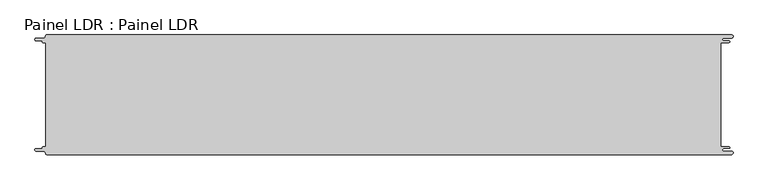
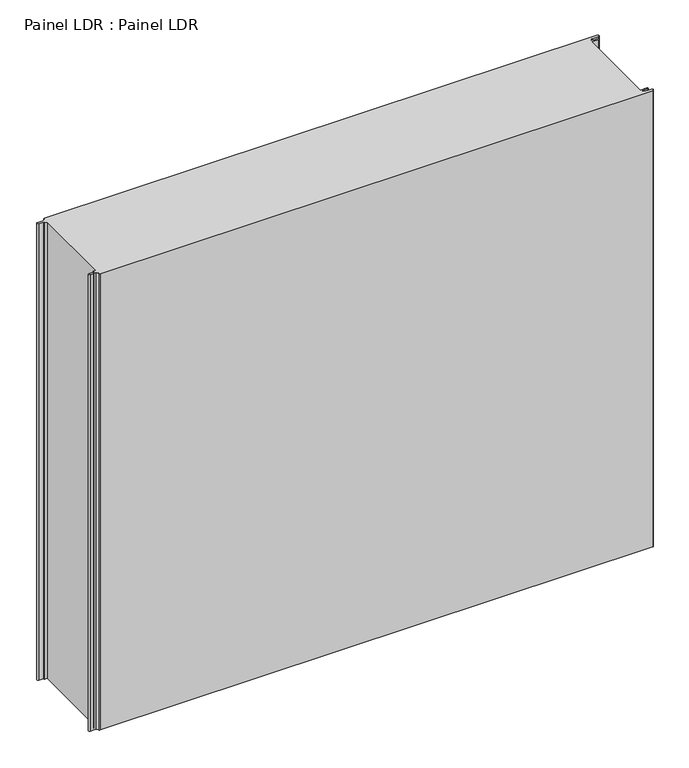
"""IFC4 building model written with IfcOpenShell, lengths in millimetres: proxy geometry, Painel LDR : Painel LDR."""

from ifc_helpers import new_model, si_unit, frame, origin, place, context, project, spatial, polyline, circle_curve, source, transform, mapped, element, save
from ifc_brep_helpers import plane_surface, cylinder_surface, revolved_surface, advanced_brep


def painel_ldr_painel_ldr_572c33a5(model_context):
    return source(origin(), model_context, "Body", "AdvancedBrep", [
        advanced_brep(
        [(-579.5093748, 87.3, 1000.0), (-574.2218362, 87.3, 1000.0), (-574.2218362, -87.2999995, 1000.0), (-579.5093748, -87.2999995, 1000.0), (-580.1093753, -87.9, 1000.0), (-580.1093753, -88.7085185, 1000.0), (-581.5093753, -90.1085185, 1000.0), (-590.4875, -90.1085185, 1000.0), (-590.4875, -94.5085185, 1000.0), (-578.471875, -94.5085185, 1000.0), (-574.921875, -98.0585185, 1000.0), (-572.971875, -100.0, 1000.0), (572.284375, -100.0, 1000.0), (572.284375, -94.725, 1000.0), (559.378125, -94.725, 1000.0), (559.378125, -89.875, 1000.0), (568.0406253, -89.875, 1000.0), (568.0406253, -87.3, 1000.0), (554.1906253, -87.3, 1000.0), (554.1906253, 87.3, 1000.0), (568.0406253, 87.3, 1000.0), (568.0406253, 89.875, 1000.0), (559.378125, 89.875, 1000.0), (559.378125, 94.725, 1000.0), (572.284375, 94.725, 1000.0), (572.284375, 100.0, 1000.0), (-572.971875, 100.0, 1000.0), (-574.921875, 98.05, 1000.0), (-578.471875, 94.5085185, 1000.0), (-590.4875, 94.5085185, 1000.0), (-590.4875, 90.1085187, 1000.0), (-581.5093751, 90.1085187, 1000.0), (-580.1093748, 88.7085184, 1000.0), (-580.1093748, 87.9, 1000.0), (-579.5093748, 87.3, 0.0), (-580.1093748, 87.9, 0.0), (-580.1093748, 88.7085184, 0.0), (-581.5093751, 90.1085187, 0.0), (-590.4875, 90.1085187, 0.0), (-590.4875, 94.5085185, 0.0), (-578.471875, 94.5085185, 0.0), (-574.921875, 98.0585185, 0.0), (-572.971875, 100.0, 0.0), (572.284375, 100.0, 0.0), (572.284375, 94.725, 0.0), (559.378125, 94.725, 0.0), (559.378125, 89.875, 0.0), (568.0406253, 89.875, 0.0), (568.0406253, 87.3, 0.0), (554.1906253, 87.3, 0.0), (554.1906253, -87.3, 0.0), (568.0406253, -87.3, 0.0), (568.0406253, -89.875, 0.0), (559.378125, -89.875, 0.0), (559.378125, -94.725, 0.0), (572.284375, -94.725, 0.0), (572.284375, -100.0, 0.0), (-572.971875, -100.0, 0.0), (-574.921875, -98.05, 0.0), (-578.471875, -94.5085185, 0.0), (-590.4875, -94.5085185, 0.0), (-590.4875, -90.1085185, 0.0), (-581.5093753, -90.1085185, 0.0), (-580.1093753, -88.7085185, 0.0), (-580.1093753, -87.9, 0.0), (-579.5093748, -87.2999995, 0.0), (-574.2218362, -87.2999995, 0.0), (-574.2218362, 87.3, 0.0)],
        [
            (0, 1),
            (1, 2),
            (2, 3),
            (3, 4, circle_curve(frame((-579.5093748, -87.9, 1000.0), z_axis=(0.0, 0.0, 1.0), x_axis=(1.0, 0.0, 0.0)), 0.6000005)),
            (4, 5),
            (5, 6, circle_curve(frame((-581.5093753, -88.7085185, 1000.0), z_axis=(0.0, 0.0, -1.0), x_axis=(1.0, 0.0, 0.0)), 1.4)),
            (6, 7),
            (7, 8, circle_curve(frame((-590.4875, -92.3085185, 1000.0), z_axis=(0.0, 0.0, 1.0), x_axis=(1.0, 0.0, 0.0)), 2.2)),
            (8, 9),
            (9, 10, circle_curve(frame((-578.471875, -98.0585185, 1000.0), z_axis=(0.0, 0.0, -1.0), x_axis=(1.0, 0.0, 0.0)), 3.55)),
            (10, 11, circle_curve(frame((-572.971875, -98.05, 1000.0), z_axis=(0.0, 0.0, 1.0), x_axis=(1.0, 0.0, 0.0)), 1.95)),
            (11, 12),
            (12, 13, circle_curve(frame((572.284375, -97.3625, 1000.0), z_axis=(0.0, 0.0, 1.0), x_axis=(1.0, 0.0, 0.0)), 2.6375)),
            (13, 14),
            (14, 15, circle_curve(frame((559.378125, -92.3, 1000.0), z_axis=(0.0, 0.0, -1.0), x_axis=(1.0, 0.0, 0.0)), 2.425)),
            (15, 16),
            (16, 17, circle_curve(frame((568.0406253, -88.5875, 1000.0), z_axis=(0.0, 0.0, 1.0), x_axis=(1.0, 0.0, 0.0)), 1.2875)),
            (17, 18),
            (18, 19),
            (19, 20),
            (20, 21, circle_curve(frame((568.0406253, 88.5875, 1000.0), z_axis=(0.0, 0.0, 1.0), x_axis=(1.0, 0.0, 0.0)), 1.2875)),
            (21, 22),
            (22, 23, circle_curve(frame((559.378125, 92.3, 1000.0), z_axis=(0.0, 0.0, -1.0), x_axis=(1.0, 0.0, 0.0)), 2.425)),
            (23, 24),
            (24, 25, circle_curve(frame((572.284375, 97.3625, 1000.0), z_axis=(0.0, 0.0, 1.0), x_axis=(1.0, 0.0, 0.0)), 2.6375)),
            (25, 26),
            (26, 27, circle_curve(frame((-572.971875, 98.05, 1000.0), z_axis=(0.0, 0.0, 1.0), x_axis=(1.0, 0.0, 0.0)), 1.95)),
            (27, 28, circle_curve(frame((-578.471875, 98.0585185, 1000.0), z_axis=(0.0, 0.0, -1.0), x_axis=(1.0, 0.0, 0.0)), 3.55)),
            (28, 29),
            (29, 30, circle_curve(frame((-590.4875, 92.3085186, 1000.0), z_axis=(0.0, 0.0, 1.0), x_axis=(1.0, 0.0, 0.0)), 2.1999999)),
            (30, 31),
            (31, 32, circle_curve(frame((-581.5093751, 88.7085184, 1000.0), z_axis=(0.0, 0.0, -1.0), x_axis=(1.0, 0.0, 0.0)), 1.4000003)),
            (32, 33),
            (33, 0, circle_curve(frame((-579.5093748, 87.9, 1000.0), z_axis=(0.0, 0.0, 1.0), x_axis=(1.0, 0.0, 0.0)), 0.6)),
            (34, 35, circle_curve(frame((-579.5093748, 87.9, 0.0), z_axis=(0.0, 0.0, -1.0), x_axis=(1.0, 0.0, 0.0)), 0.6)),
            (35, 36),
            (36, 37, circle_curve(frame((-581.5093751, 88.7085184, 0.0), z_axis=(0.0, 0.0, 1.0), x_axis=(1.0, 0.0, 0.0)), 1.4000003)),
            (37, 38),
            (38, 39, circle_curve(frame((-590.4875, 92.3085186, 0.0), z_axis=(0.0, 0.0, -1.0), x_axis=(1.0, 0.0, 0.0)), 2.1999999)),
            (39, 40),
            (40, 41, circle_curve(frame((-578.471875, 98.0585185, 0.0), z_axis=(0.0, 0.0, 1.0), x_axis=(1.0, 0.0, 0.0)), 3.55)),
            (41, 42, circle_curve(frame((-572.971875, 98.05, 0.0), z_axis=(0.0, 0.0, -1.0), x_axis=(1.0, 0.0, 0.0)), 1.95)),
            (42, 43),
            (43, 44, circle_curve(frame((572.284375, 97.3625, 0.0), z_axis=(0.0, 0.0, -1.0), x_axis=(1.0, 0.0, 0.0)), 2.6375)),
            (44, 45),
            (45, 46, circle_curve(frame((559.378125, 92.3, 0.0), z_axis=(0.0, 0.0, 1.0), x_axis=(1.0, 0.0, 0.0)), 2.425)),
            (46, 47),
            (47, 48, circle_curve(frame((568.0406253, 88.5875, 0.0), z_axis=(0.0, 0.0, -1.0), x_axis=(1.0, 0.0, 0.0)), 1.2875)),
            (48, 49),
            (49, 50),
            (50, 51),
            (51, 52, circle_curve(frame((568.0406253, -88.5875, 0.0), z_axis=(0.0, 0.0, -1.0), x_axis=(1.0, 0.0, 0.0)), 1.2875)),
            (52, 53),
            (53, 54, circle_curve(frame((559.378125, -92.3, 0.0), z_axis=(0.0, 0.0, 1.0), x_axis=(1.0, 0.0, 0.0)), 2.425)),
            (54, 55),
            (55, 56, circle_curve(frame((572.284375, -97.3625, 0.0), z_axis=(0.0, 0.0, -1.0), x_axis=(1.0, 0.0, 0.0)), 2.6375)),
            (56, 57),
            (57, 58, circle_curve(frame((-572.971875, -98.05, 0.0), z_axis=(0.0, 0.0, -1.0), x_axis=(1.0, 0.0, 0.0)), 1.95)),
            (58, 59, circle_curve(frame((-578.471875, -98.0585185, 0.0), z_axis=(0.0, 0.0, 1.0), x_axis=(1.0, 0.0, 0.0)), 3.55)),
            (59, 60),
            (60, 61, circle_curve(frame((-590.4875, -92.3085185, 0.0), z_axis=(0.0, 0.0, -1.0), x_axis=(1.0, 0.0, 0.0)), 2.2)),
            (61, 62),
            (62, 63, circle_curve(frame((-581.5093753, -88.7085185, 0.0), z_axis=(0.0, 0.0, 1.0), x_axis=(1.0, 0.0, 0.0)), 1.4)),
            (63, 64),
            (64, 65, circle_curve(frame((-579.5093748, -87.9, 0.0), z_axis=(0.0, 0.0, -1.0), x_axis=(1.0, 0.0, 0.0)), 0.6000005)),
            (65, 66),
            (66, 67),
            (67, 34),
            (0, 34),
            (67, 1),
            (66, 2),
            (65, 3),
            (64, 4),
            (63, 5),
            (62, 6),
            (61, 7),
            (60, 8),
            (59, 9),
            (58, 10),
            (57, 11),
            (56, 12),
            (18, 50),
            (49, 19),
            (48, 20),
            (47, 21),
            (46, 22),
            (45, 23),
            (44, 24),
            (43, 25),
            (42, 26),
            (41, 27),
            (40, 28),
            (39, 29),
            (38, 30),
            (37, 31),
            (36, 32),
            (35, 33),
            (55, 13),
            (54, 14),
            (53, 15),
            (52, 16),
            (51, 17),
        ],
        [
            plane_surface(frame((-574.2218362, 87.3, 1000.0), z_axis=(0.0, 0.0, 1.0), x_axis=(1.0, 0.0, 0.0))),
            plane_surface(frame((-574.2218362, 87.3, 0.0), z_axis=(0.0, 0.0, -1.0), x_axis=(-1.0, 0.0, 0.0))),
            plane_surface(frame((-579.5093748, 87.3, 1000.0), z_axis=(0.0, -1.0, 0.0), x_axis=(0.0, 0.0, -1.0))),
            plane_surface(frame((-574.2218362, 87.3, 1000.0), z_axis=(-1.0, 0.0, 0.0), x_axis=(0.0, 0.0, -1.0))),
            plane_surface(frame((-574.2218362, -87.2999995, 1000.0), z_axis=(0.0, 1.0, 0.0), x_axis=(0.0, 0.0, -1.0))),
            cylinder_surface(frame((-579.5093748, -87.9, 0.0), z_axis=(0.0, 0.0, 1.0), x_axis=(1.0, 0.0, 0.0)), 0.6000005),
            plane_surface(frame((-580.1093753, -87.9, 1000.0), z_axis=(-1.0, 1.757860866232952e-12, 0.0), x_axis=(0.0, 0.0, -1.0))),
            revolved_surface(polyline([(-580.1093753, -88.7085185, 0.0), (-580.1093753, -88.7085185, 1000.0)]), (-581.5093753, -88.7085185, 0.0), (0.0, 0.0, -1.0)),
            plane_surface(frame((-581.5093753, -90.1085185, 1000.0), z_axis=(0.0, 1.0, 0.0), x_axis=(0.0, 0.0, -1.0))),
            cylinder_surface(frame((-590.4875, -92.3085185, 0.0), z_axis=(0.0, 0.0, 1.0), x_axis=(1.0, 0.0, 0.0)), 2.2),
            plane_surface(frame((-590.4875, -94.5085185, 1000.0), z_axis=(0.0, -1.0, 0.0), x_axis=(0.0, 0.0, -1.0))),
            revolved_surface(polyline([(-574.921875, -98.0585185, 0.0), (-574.921875, -98.0585185, 1000.0)]), (-578.471875, -98.0585185, 0.0), (0.0, 0.0, -1.0)),
            cylinder_surface(frame((-572.971875, -98.05, 0.0), z_axis=(0.0, 0.0, 1.0), x_axis=(1.0, 0.0, 0.0)), 1.95),
            plane_surface(frame((-572.971875, -100.0, 1000.0), z_axis=(0.0, -1.0, 0.0), x_axis=(0.0, 0.0, -1.0))),
            plane_surface(frame((554.1906253, -87.3, 1000.0), z_axis=(1.0, 0.0, 0.0), x_axis=(0.0, 0.0, -1.0))),
            plane_surface(frame((554.1906253, 87.3, 1000.0), z_axis=(0.0, -1.0, 0.0), x_axis=(0.0, 0.0, -1.0))),
            cylinder_surface(frame((568.0406253, 88.5875, 0.0), z_axis=(0.0, 0.0, 1.0), x_axis=(1.0, 0.0, 0.0)), 1.2875),
            plane_surface(frame((568.0406253, 89.875, 1000.0), z_axis=(0.0, 1.0, 0.0), x_axis=(0.0, 0.0, -1.0))),
            revolved_surface(polyline([(561.8031249999999, 92.3, 0.0), (561.8031249999999, 92.3, 1000.0)]), (559.378125, 92.3, 0.0), (0.0, 0.0, -1.0)),
            plane_surface(frame((559.378125, 94.725, 1000.0), z_axis=(0.0, -1.0, 0.0), x_axis=(0.0, 0.0, -1.0))),
            cylinder_surface(frame((572.284375, 97.3625, 0.0), z_axis=(0.0, 0.0, 1.0), x_axis=(1.0, 0.0, 0.0)), 2.6375),
            plane_surface(frame((572.284375, 100.0, 1000.0), z_axis=(0.0, 1.0, 0.0), x_axis=(0.0, 0.0, -1.0))),
            cylinder_surface(frame((-572.971875, 98.05, 0.0), z_axis=(0.0, 0.0, 1.0), x_axis=(1.0, 0.0, 0.0)), 1.95),
            revolved_surface(polyline([(-574.921875, 98.0585185, 0.0), (-574.921875, 98.0585185, 1000.0)]), (-578.471875, 98.0585185, 0.0), (0.0, 0.0, -1.0)),
            plane_surface(frame((-578.471875, 94.5085185, 1000.0), z_axis=(0.0, 1.0, 0.0), x_axis=(0.0, 0.0, -1.0))),
            cylinder_surface(frame((-590.4875, 92.3085186, 0.0), z_axis=(0.0, 0.0, 1.0), x_axis=(1.0, 0.0, 0.0)), 2.1999999),
            plane_surface(frame((-590.4875, 90.1085187, 1000.0), z_axis=(0.0, -1.0, 0.0), x_axis=(0.0, 0.0, -1.0))),
            revolved_surface(polyline([(-580.1093748000001, 88.7085184, 0.0), (-580.1093748000001, 88.7085184, 1000.0)]), (-581.5093751, 88.7085184, 0.0), (0.0, 0.0, -1.0)),
            plane_surface(frame((-580.1093748, 88.7085184, 1000.0), z_axis=(-1.0, 0.0, 0.0), x_axis=(0.0, 0.0, -1.0))),
            cylinder_surface(frame((-579.5093748, 87.9, 0.0), z_axis=(0.0, 0.0, 1.0), x_axis=(1.0, 0.0, 0.0)), 0.6),
            cylinder_surface(frame((572.284375, -97.3625, 0.0), z_axis=(0.0, 0.0, 1.0), x_axis=(1.0, 0.0, 0.0)), 2.6375),
            plane_surface(frame((572.284375, -94.725, 1000.0), z_axis=(0.0, 1.0, 0.0), x_axis=(0.0, 0.0, -1.0))),
            revolved_surface(polyline([(561.8031249999999, -92.3, 0.0), (561.8031249999999, -92.3, 1000.0)]), (559.378125, -92.3, 0.0), (0.0, 0.0, -1.0)),
            plane_surface(frame((559.378125, -89.875, 1000.0), z_axis=(0.0, -1.0, 0.0), x_axis=(0.0, 0.0, -1.0))),
            cylinder_surface(frame((568.0406253, -88.5875, 0.0), z_axis=(0.0, 0.0, 1.0), x_axis=(1.0, 0.0, 0.0)), 1.2875),
            plane_surface(frame((568.0406253, -87.3, 1000.0), z_axis=(0.0, 1.0, 0.0), x_axis=(0.0, 0.0, -1.0))),
        ],
        [
            (0, [[1, 2, 3, 4, 5, 6, 7, 8, 9, 10, 11, 12, 13, 14, 15, 16, 17, 18, 19, 20, 21, 22, 23, 24, 25, 26, 27, 28, 29, 30, 31, 32, 33, 34]]),
            (1, [[35, 36, 37, 38, 39, 40, 41, 42, 43, 44, 45, 46, 47, 48, 49, 50, 51, 52, 53, 54, 55, 56, 57, 58, 59, 60, 61, 62, 63, 64, 65, 66, 67, 68]]),
            (2, [[-1, 69, -68, 70]]),
            (3, [[-2, -70, -67, 71]]),
            (4, [[-3, -71, -66, 72]]),
            (5, [[-4, -72, -65, 73]]),
            (6, [[-5, -73, -64, 74]]),
            (7, [[-6, -74, -63, 75]]),
            (8, [[-7, -75, -62, 76]]),
            (9, [[-8, -76, -61, 77]]),
            (10, [[-9, -77, -60, 78]]),
            (11, [[-10, -78, -59, 79]]),
            (12, [[-11, -79, -58, 80]]),
            (13, [[-12, -80, -57, 81]]),
            (14, [[-19, 82, -50, 83]]),
            (15, [[-20, -83, -49, 84]]),
            (16, [[-21, -84, -48, 85]]),
            (17, [[-22, -85, -47, 86]]),
            (18, [[-23, -86, -46, 87]]),
            (19, [[-24, -87, -45, 88]]),
            (20, [[-25, -88, -44, 89]]),
            (21, [[-26, -89, -43, 90]]),
            (22, [[-27, -90, -42, 91]]),
            (23, [[-28, -91, -41, 92]]),
            (24, [[-29, -92, -40, 93]]),
            (25, [[-30, -93, -39, 94]]),
            (26, [[-31, -94, -38, 95]]),
            (27, [[-32, -95, -37, 96]]),
            (28, [[-33, -96, -36, 97]]),
            (29, [[-34, -97, -35, -69]]),
            (30, [[-13, -81, -56, 98]]),
            (31, [[-14, -98, -55, 99]]),
            (32, [[-15, -99, -54, 100]]),
            (33, [[-16, -100, -53, 101]]),
            (34, [[-17, -101, -52, 102]]),
            (35, [[-18, -102, -51, -82]]),
        ],
    ),
    ])


if __name__ == "__main__":
    model = new_model("IFC4")
    model_context = context("Model", 3, world=origin())
    ifc_project = project(units=[si_unit("LENGTHUNIT", "METRE", prefix="MILLI")], contexts=[model_context])
    site = spatial("IfcSite", under=ifc_project)
    building = spatial("IfcBuilding", under=site)
    placement = place(None, origin())
    painel_ldr_painel_ldr_shape = painel_ldr_painel_ldr_572c33a5(model_context)
    element("IfcBuildingElementProxy", 1, Name="Painel LDR : Painel LDR", ObjectType="Painel LDR : Painel LDR", at=placement, inside=building, context=model_context, shape_type="MappedRepresentation", body=[
        mapped(painel_ldr_painel_ldr_shape, transform((0.0, 0.0, 0.0), x_axis=(1.0, 0.0, 0.0), y_axis=(0.0, 1.0, 0.0), z_axis=(0.0, 0.0, 1.0))),
    ])
    save(model, "model.ifc")
